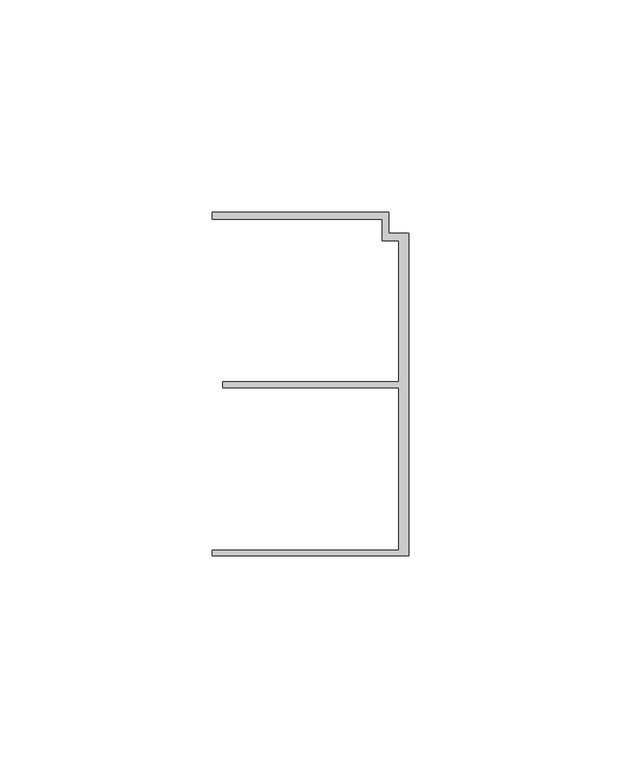
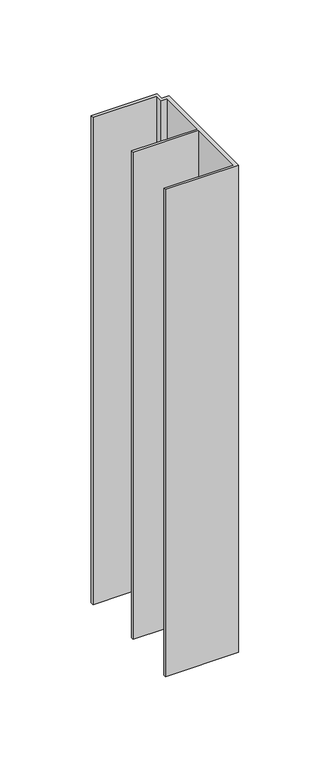
"""IFC4 building model written with IfcOpenShell, lengths in millimetres: member geometry."""

from ifc_helpers import new_model, si_unit, frame, origin, place, context, project, spatial, polyline, outline, extrude, source, transform, mapped, element, save


def member_77fb65fb(model_context):
    return source(origin(), model_context, "Body", "SweptSolid", [
        extrude(outline(polyline([(-6.2, 33.95), (-6.2, 38.95), (-46.3, 38.95), (-46.3, 40.65), (-4.6999992, 40.65), (-4.6999992, 35.75), (0.0, 35.75), (0.0, -40.25), (-46.3, -40.25), (-46.3, -38.95), (-2.4, -38.95), (-2.4, -0.75), (-43.8, -0.75), (-43.8, 0.75), (-2.4, 0.75), (-2.4, 33.95), (-6.2, 33.95)])), frame((0.0, 0.0, -325.0), z_axis=(0.0, 0.0, 1.0), x_axis=(1.0, 0.0, 0.0)), (0.0, 0.0, 1.0), 325.0),
    ])


if __name__ == "__main__":
    model = new_model("IFC4")
    model_context = context("Model", 3, world=origin())
    ifc_project = project(units=[si_unit("LENGTHUNIT", "METRE", prefix="MILLI")], contexts=[model_context])
    site = spatial("IfcSite", under=ifc_project)
    building = spatial("IfcBuilding", under=site)
    placement = place(None, origin())
    member_shape = member_77fb65fb(model_context)
    element("IfcMember", 1, at=placement, inside=building, context=model_context, shape_type="MappedRepresentation", body=[
        mapped(member_shape, transform((0.0, 0.0, 0.0), x_axis=(1.0, 0.0, 0.0), y_axis=(0.0, 1.0, 0.0), z_axis=(0.0, 0.0, 1.0))),
    ])
    save(model, "model.ifc")
